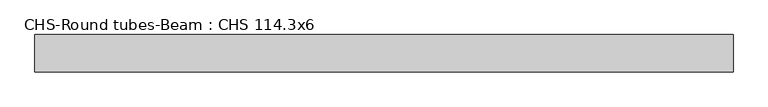
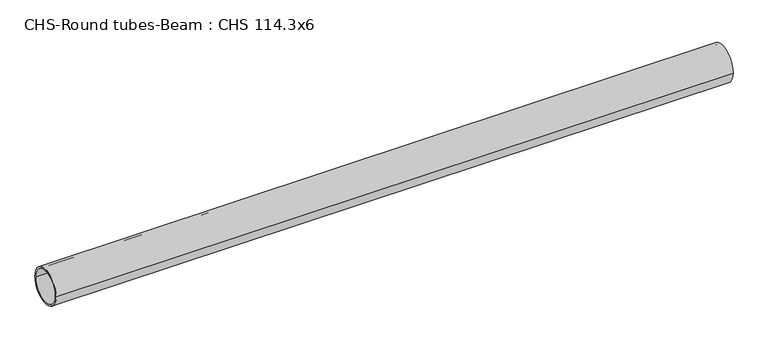
"""IFC4 building model written with IfcOpenShell, lengths in millimetres: beam geometry, CHS-Round tubes-Beam : CHS 114.3x6."""

from ifc_helpers import new_model, si_unit, point, frame, origin, origin_2d, place, context, project, spatial, circle_curve, trimmed, segment, composite_curve, outline, extrude, source, transform, mapped, element, save


def chs_round_tubes_beam_chs_114_3x6_db9e5341(model_context):
    return source(origin(), model_context, "Body", "SweptSolid", [
        extrude(outline(composite_curve([segment(trimmed(circle_curve(origin_2d(), 57.15), [point((57.15, 0.0))], [point((-57.15, 0.0))], False, "CARTESIAN"), True, "CONTINUOUS"), segment(trimmed(circle_curve(origin_2d(), 57.15), [point((-57.15, 0.0))], [point((57.15, 0.0))], False, "CARTESIAN"), True, "CONTINUOUS")], self_intersect=False), holes=[composite_curve([segment(trimmed(circle_curve(origin_2d(), 51.15), [point((51.15, 0.0))], [point((-51.15, 0.0))], True, "CARTESIAN"), True, "CONTINUOUS"), segment(trimmed(circle_curve(origin_2d(), 51.15), [point((-51.15, 0.0))], [point((51.15, 0.0))], True, "CARTESIAN"), True, "CONTINUOUS")], self_intersect=False)]), frame((-1020.210572, 0.0, 0.0), z_axis=(1.0, 0.0, 0.0), x_axis=(0.0, 1.0, 0.0)), (0.0, 0.0, 1.0), 2123.5690388),
    ])


if __name__ == "__main__":
    model = new_model("IFC4")
    model_context = context("Model", 3, world=origin())
    ifc_project = project(units=[si_unit("LENGTHUNIT", "METRE", prefix="MILLI")], contexts=[model_context])
    site = spatial("IfcSite", under=ifc_project)
    building = spatial("IfcBuilding", under=site)
    placement = place(None, origin())
    chs_round_tubes_beam_chs_114_3x6_shape = chs_round_tubes_beam_chs_114_3x6_db9e5341(model_context)
    element("IfcBeam", 1, ObjectType="CHS-Round tubes-Beam : CHS 114.3x6", at=placement, inside=building, context=model_context, shape_type="MappedRepresentation", body=[
        mapped(chs_round_tubes_beam_chs_114_3x6_shape, transform((0.0, 0.0, 0.0), x_axis=(1.0, 0.0, 0.0), y_axis=(0.0, 1.0, 0.0), z_axis=(0.0, 0.0, 1.0))),
    ])
    save(model, "model.ifc")
